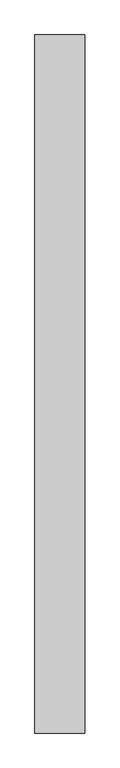
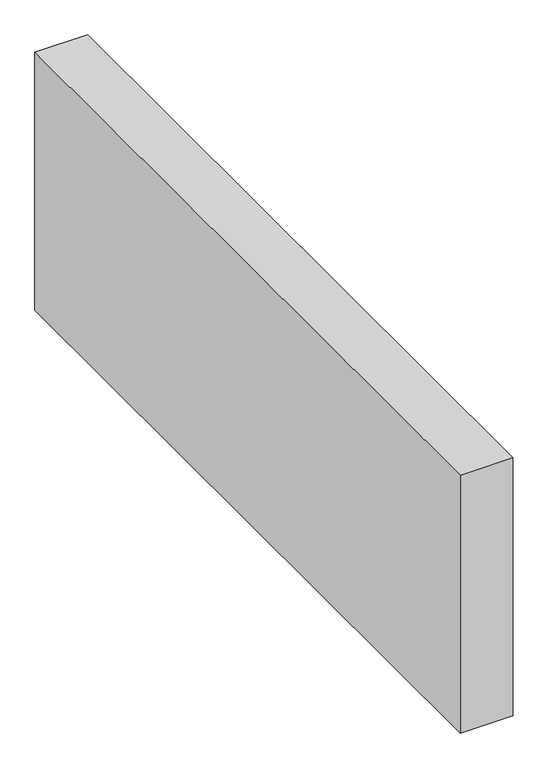
"""IFC4 building model written with IfcOpenShell, lengths in millimetres: proxy geometry."""

from ifc_helpers import new_model, si_unit, origin, origin_with_axes, place, context, project, spatial, polyline, outline, extrude, source, transform, mapped, element, save


def generic_models_44b35dff(model_context):
    return source(origin(), model_context, "Body", "SweptSolid", [
        extrude(outline(polyline([(150.0, 2101.4877412), (150.0, 0.0), (0.0, 0.0), (0.0, 2101.4877412), (150.0, 2101.4877412)])), origin_with_axes(), (0.0, 0.0, 1.0), 776.6553396),
    ])


if __name__ == "__main__":
    model = new_model("IFC4")
    model_context = context("Model", 3, world=origin())
    ifc_project = project(units=[si_unit("LENGTHUNIT", "METRE", prefix="MILLI")], contexts=[model_context])
    site = spatial("IfcSite", under=ifc_project)
    building = spatial("IfcBuilding", under=site)
    placement = place(None, origin())
    generic_models_shape = generic_models_44b35dff(model_context)
    element("IfcBuildingElementProxy", 1, Name="Generic Models", at=placement, inside=building, context=model_context, shape_type="MappedRepresentation", body=[
        mapped(generic_models_shape, transform((0.0, 0.0, 0.0), x_axis=(1.0, 0.0, 0.0), y_axis=(0.0, 1.0, 0.0), z_axis=(0.0, 0.0, 1.0))),
    ])
    save(model, "model.ifc")
